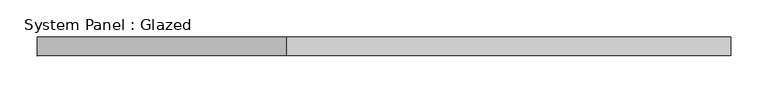
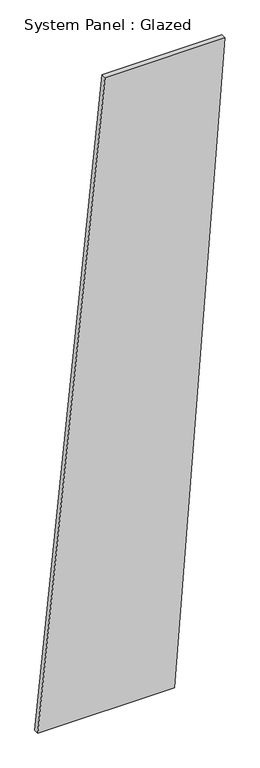
"""IFC4 building model written with IfcOpenShell, lengths in millimetres: plate geometry, System Panel : Glazed."""

from ifc_helpers import new_model, si_unit, frame, origin, place, context, project, spatial, polyline, outline, extrude, source, transform, mapped, element, save


def system_panel_glazed_1a314cb4(model_context):
    return source(origin(), model_context, "Body", "SweptSolid", [
        extrude(outline(polyline([(0.0, -468.0382783), (0.0, 215.9808609), (3341.4626538, 468.0382783), (3341.4626538, -131.9617217), (0.0, -468.0382783)])), frame((0.0, -49.5, 0.0), z_axis=(0.0, 1.0, 0.0), x_axis=(0.0, 0.0, 1.0)), (0.0, 0.0, 1.0), 25.0),
    ])


if __name__ == "__main__":
    model = new_model("IFC4")
    model_context = context("Model", 3, world=origin())
    ifc_project = project(units=[si_unit("LENGTHUNIT", "METRE", prefix="MILLI")], contexts=[model_context])
    site = spatial("IfcSite", under=ifc_project)
    building = spatial("IfcBuilding", under=site)
    placement = place(None, origin())
    system_panel_glazed_shape = system_panel_glazed_1a314cb4(model_context)
    element("IfcPlate", 1, ObjectType="System Panel : Glazed", at=placement, inside=building, context=model_context, shape_type="MappedRepresentation", body=[
        mapped(system_panel_glazed_shape, transform((0.0, 0.0, 0.0), x_axis=(1.0, 0.0, 0.0), y_axis=(0.0, 1.0, 0.0), z_axis=(0.0, 0.0, 1.0))),
    ])
    save(model, "model.ifc")
